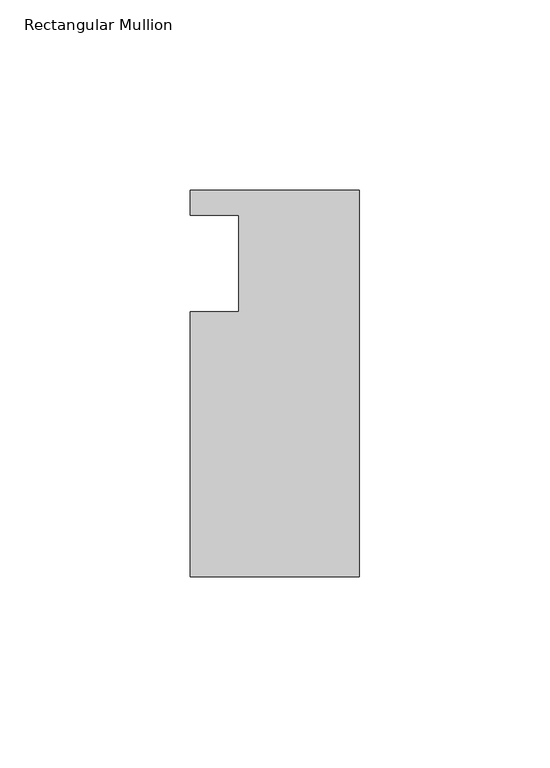
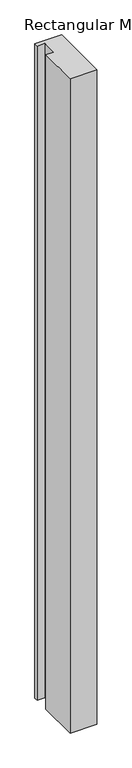
"""IFC4 building model written with IfcOpenShell, lengths in millimetres: member geometry, Rectangular Mullion."""

import ifcopenshell
import ifcopenshell.guid

model = None  # the IFC model being written
_history = None  # IfcOwnerHistory: only IFC2X3 demands one
_inside = {}  # id of a spatial element -> (the spatial element, [elements in it])
_under = {}  # id of a project, library or spatial element -> (it, [spatial elements below it])
_declared = {}  # id of a project -> (the project, [libraries it declares])
_typed = {}  # id of a type object -> (the type object, [elements of that type])
_made_of = {}  # id of a material, layer set ... -> (it, [elements and type objects made of it])


def new_model(schema):
    """Start an empty IFC model of exactly this schema.

    Asked for "IFC4X3", IfcOpenShell would pick the latest addendum, in which some entities
    have other attributes; the version numbers below select the first issue.
    IFC2X3 requires an IfcOwnerHistory on every rooted entity: one is made here for all.
    """
    global model, _history
    if schema == "IFC4X3":
        model = ifcopenshell.file(schema_version=(4, 3, 0, 0))
    else:
        model = ifcopenshell.file(schema=schema)
    _inside.clear()
    _under.clear()
    _declared.clear()
    _typed.clear()
    _made_of.clear()
    _history = None
    if model.schema == "IFC2X3":
        org = make("IfcOrganization", Name="unknown")
        user = make(
            "IfcPersonAndOrganization",
            ThePerson=make("IfcPerson", FamilyName="unknown"),
            TheOrganization=org,
        )
        app = make(
            "IfcApplication",
            ApplicationDeveloper=org,
            Version="unknown",
            ApplicationFullName="unknown",
            ApplicationIdentifier="unknown",
        )
        _history = make(
            "IfcOwnerHistory",
            OwningUser=user,
            OwningApplication=app,
            ChangeAction="ADDED",
            CreationDate=0,
        )
    return model


def make(cls, **values):
    """One entity of the class cls with the attributes given. An attribute that is None is left unset."""
    return model.create_entity(
        cls, **{name: value for name, value in values.items() if value is not None}
    )


def rooted(cls, **values):
    """An entity with a GlobalId (a new one), such as an element, a storey or a relation."""
    return make(cls, GlobalId=ifcopenshell.guid.new(), OwnerHistory=_history, **values)


def si_unit(unit_type, name, prefix=None):
    """IfcSIUnit, for example si_unit("LENGTHUNIT", "METRE", prefix="MILLI")."""
    return make("IfcSIUnit", UnitType=unit_type, Prefix=prefix, Name=name)


def assignment(units):
    """IfcUnitAssignment: the units of a project."""
    return None if units is None else make("IfcUnitAssignment", Units=units)


def point(xyz):
    """IfcCartesianPoint."""
    return None if xyz is None else make("IfcCartesianPoint", Coordinates=xyz)


def direction(xyz):
    """IfcDirection."""
    return None if xyz is None else make("IfcDirection", DirectionRatios=xyz)


def frame(location, z_axis=None, x_axis=None):
    """IfcAxis2Placement3D, a coordinate frame: its origin and axes. An axis left out is left unset."""
    return make(
        "IfcAxis2Placement3D",
        Location=point(location),
        Axis=direction(z_axis),
        RefDirection=direction(x_axis),
    )


def origin():
    """The frame at (0, 0, 0) with its axes left unset."""
    return frame((0.0, 0.0, 0.0))


def place(relative_to, where):
    """IfcLocalPlacement: puts the frame where relative to a parent placement (None: the world)."""
    return make(
        "IfcLocalPlacement", PlacementRelTo=relative_to, RelativePlacement=where
    )


def context(
    kind, dimensions, precision=None, world=None, true_north=None, identifier=None
):
    """IfcGeometricRepresentationContext, for example the 3D "Model" context."""
    return make(
        "IfcGeometricRepresentationContext",
        ContextIdentifier=identifier,
        ContextType=kind,
        CoordinateSpaceDimension=dimensions,
        Precision=precision,
        WorldCoordinateSystem=world,
        TrueNorth=true_north,
    )


def project(units=None, contexts=None):
    """IfcProject with its units and contexts."""
    return rooted(
        "IfcProject",
        Name="project",
        RepresentationContexts=contexts,
        UnitsInContext=assignment(units),
    )


def spatial(cls, under=None, at=None, **own):
    """A site, building, storey or space (cls), placed at a placement, below another one or the project."""
    s = rooted(cls, ObjectPlacement=at, **own)
    if under is not None:
        _under.setdefault(under.id(), (under, []))[1].append(s)
    return s


def polyline(points):
    """IfcPolyline through the points."""
    return make("IfcPolyline", Points=[point(p) for p in points])


def outline(outer, holes=None, kind="AREA"):
    """IfcArbitraryClosedProfileDef: a profile drawn as a closed curve; with holes, ...WithVoids."""
    if holes is None:
        return make("IfcArbitraryClosedProfileDef", ProfileType=kind, OuterCurve=outer)
    return make(
        "IfcArbitraryProfileDefWithVoids",
        ProfileType=kind,
        OuterCurve=outer,
        InnerCurves=holes,
    )


def extrude(swept, where, along, depth):
    """IfcExtrudedAreaSolid: the profile swept, set in the frame where, extruded along a direction by depth."""
    return make(
        "IfcExtrudedAreaSolid",
        SweptArea=swept,
        Position=where,
        ExtrudedDirection=direction(along),
        Depth=depth,
    )


def shape(context_of_items, identifier, shape_type, items):
    """IfcShapeRepresentation: the items that make up one representation, for example the "Body"."""
    return make(
        "IfcShapeRepresentation",
        ContextOfItems=context_of_items,
        RepresentationIdentifier=identifier,
        RepresentationType=shape_type,
        Items=items,
    )


def source(mapping_origin, context_of_items, identifier, shape_type, items):
    """IfcRepresentationMap: a shape defined once, which mapped items show again and again."""
    return make(
        "IfcRepresentationMap",
        MappingOrigin=mapping_origin,
        MappedRepresentation=shape(context_of_items, identifier, shape_type, items),
    )


def transform(
    local_origin,
    x_axis=None,
    y_axis=None,
    z_axis=None,
    scale=None,
    scale2=None,
    scale3=None,
    uniform=True,
):
    """IfcCartesianTransformationOperator3D, or its non-uniform kind. x_axis, y_axis, z_axis: its Axis1, 2, 3."""
    if uniform:
        return make(
            "IfcCartesianTransformationOperator3D",
            Axis1=direction(x_axis),
            Axis2=direction(y_axis),
            LocalOrigin=point(local_origin),
            Scale=scale,
            Axis3=direction(z_axis),
        )
    return make(
        "IfcCartesianTransformationOperator3DnonUniform",
        Axis1=direction(x_axis),
        Axis2=direction(y_axis),
        LocalOrigin=point(local_origin),
        Scale=scale,
        Axis3=direction(z_axis),
        Scale2=scale2,
        Scale3=scale3,
    )


def mapped(mapping_source, mapping_target):
    """IfcMappedItem: shows the shape of a source again, moved by a transform."""
    return make(
        "IfcMappedItem", MappingSource=mapping_source, MappingTarget=mapping_target
    )


def made_of(thing, what):
    """Note that an element or type object is made of a material, layer set ...; save() writes the relation."""
    if what is not None:
        _made_of.setdefault(what.id(), (what, []))[1].append(thing)
    return thing


def element(
    cls,
    number,
    at=None,
    inside=None,
    cuts=None,
    type_object=None,
    material=None,
    context=None,
    identifier="Body",
    shape_type=None,
    held_by="IfcProductDefinitionShape",
    body=None,
    shapes=None,
    **own,
):
    """One element of the class cls, such as IfcWall. Its Tag is "e" and its number.

    at: its placement. inside: the storey or other place that contains it. cuts: it is an
    opening in that element (IfcRelVoidsElement). A single representation is given by context,
    identifier, shape_type and body (its items); several are given by shapes. held_by: the class
    of the entity that holds the representations. save() writes the other relations.
    """
    e = rooted(cls, Tag="e%d" % number, ObjectPlacement=at, **own)
    if body is not None:
        shapes = [shape(context, identifier, shape_type, body)]
    if shapes is not None:
        e.Representation = make(held_by, Representations=shapes)
    if inside is not None:
        _inside.setdefault(inside.id(), (inside, []))[1].append(e)
    if cuts is not None:
        rooted(
            "IfcRelVoidsElement", RelatingBuildingElement=cuts, RelatedOpeningElement=e
        )
    if type_object is not None:
        _typed.setdefault(type_object.id(), (type_object, []))[1].append(e)
    return made_of(e, material)


def aggregate(whole, parts):
    """IfcRelAggregates: a whole, such as a stair, and the parts it consists of."""
    return rooted("IfcRelAggregates", RelatingObject=whole, RelatedObjects=parts)


def save(model, path):
    """Write the relations noted so far, then the file.

    IfcRelAggregates (storeys below a building ...), IfcRelContainedInSpatialStructure (elements
    in a storey), IfcRelDefinesByType, IfcRelAssociatesMaterial and IfcRelDeclares: one each for
    every whole, place, type object, material and project.
    """
    for whole, parts in _under.values():
        aggregate(whole, parts)
    for where, things in _inside.values():
        rooted(
            "IfcRelContainedInSpatialStructure",
            RelatedElements=things,
            RelatingStructure=where,
        )
    for kind, things in _typed.values():
        rooted("IfcRelDefinesByType", RelatedObjects=things, RelatingType=kind)
    for what, things in _made_of.values():
        rooted("IfcRelAssociatesMaterial", RelatedObjects=things, RelatingMaterial=what)
    for by, libraries in _declared.values():
        rooted("IfcRelDeclares", RelatingContext=by, RelatedDefinitions=libraries)
    model.write(path)


def rectangular_mullion_da41901e(model_context):
    return source(origin(), model_context, "Body", "SweptSolid", [
        extrude(outline(polyline([(-44.45, -72.8220862), (-44.45, -3.175), (-31.7482296, -3.175), (-31.7482296, 22.225), (-44.45, 22.225), (-44.45, 28.7779138), (0.0, 28.7779138), (0.0, -72.8220862), (-44.45, -72.8220862)])), frame((0.0, 0.0, -1152.525), z_axis=(0.0, 0.0, 1.0), x_axis=(1.0, 0.0, 0.0)), (0.0, 0.0, 1.0), 1152.525),
    ])


if __name__ == "__main__":
    model = new_model("IFC4")
    model_context = context("Model", 3, world=origin())
    ifc_project = project(units=[si_unit("LENGTHUNIT", "METRE", prefix="MILLI")], contexts=[model_context])
    site = spatial("IfcSite", under=ifc_project)
    building = spatial("IfcBuilding", under=site)
    placement = place(None, origin())
    rectangular_mullion_shape = rectangular_mullion_da41901e(model_context)
    element("IfcMember", 1, ObjectType="Rectangular Mullion", at=placement, inside=building, context=model_context, shape_type="MappedRepresentation", body=[
        mapped(rectangular_mullion_shape, transform((0.0, 0.0, 0.0), x_axis=(1.0, 0.0, 0.0), y_axis=(0.0, 1.0, 0.0), z_axis=(0.0, 0.0, 1.0))),
    ])
    save(model, "model.ifc")
